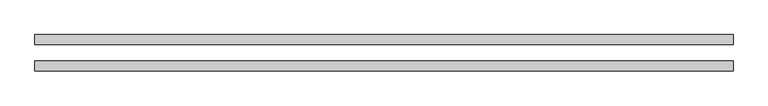
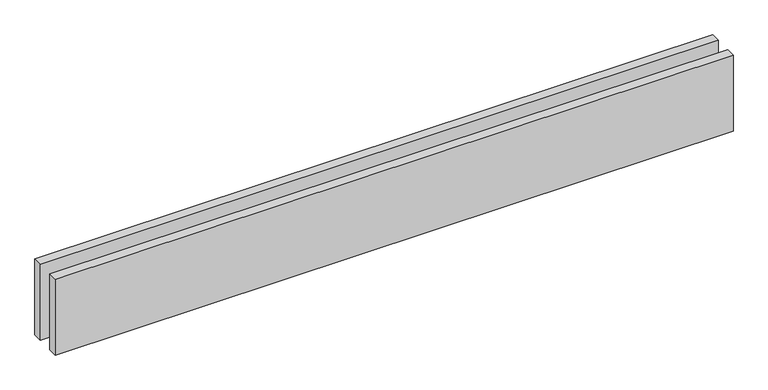
"""IFC4 building model written with IfcOpenShell, lengths in millimetres: proxy geometry."""

from ifc_helpers import new_model, si_unit, origin, origin_with_axes, place, context, project, spatial, polyline, outline, extrude, source, transform, mapped, element, save


def generic_models_fd0ca012(model_context):
    return source(origin(), model_context, "Body", "SweptSolid", [
        extrude(outline(polyline([(2110.0, -25.0), (2110.0, -55.0), (0.0, -55.0), (0.0, -25.0), (2110.0, -25.0)])), origin_with_axes(), (0.0, 0.0, 1.0), 250.0),
        extrude(outline(polyline([(2110.0, 55.0), (2110.0, 25.0), (0.0, 25.0), (0.0, 55.0), (2110.0, 55.0)])), origin_with_axes(), (0.0, 0.0, 1.0), 250.0),
    ])


if __name__ == "__main__":
    model = new_model("IFC4")
    model_context = context("Model", 3, world=origin())
    ifc_project = project(units=[si_unit("LENGTHUNIT", "METRE", prefix="MILLI")], contexts=[model_context])
    site = spatial("IfcSite", under=ifc_project)
    building = spatial("IfcBuilding", under=site)
    placement = place(None, origin())
    generic_models_shape = generic_models_fd0ca012(model_context)
    element("IfcBuildingElementProxy", 1, Name="Generic Models", at=placement, inside=building, context=model_context, shape_type="MappedRepresentation", body=[
        mapped(generic_models_shape, transform((0.0, 0.0, 0.0), x_axis=(1.0, 0.0, 0.0), y_axis=(0.0, 1.0, 0.0), z_axis=(0.0, 0.0, 1.0))),
    ])
    save(model, "model.ifc")
